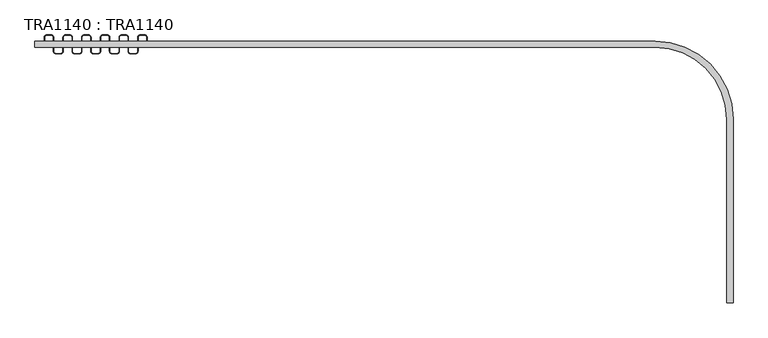
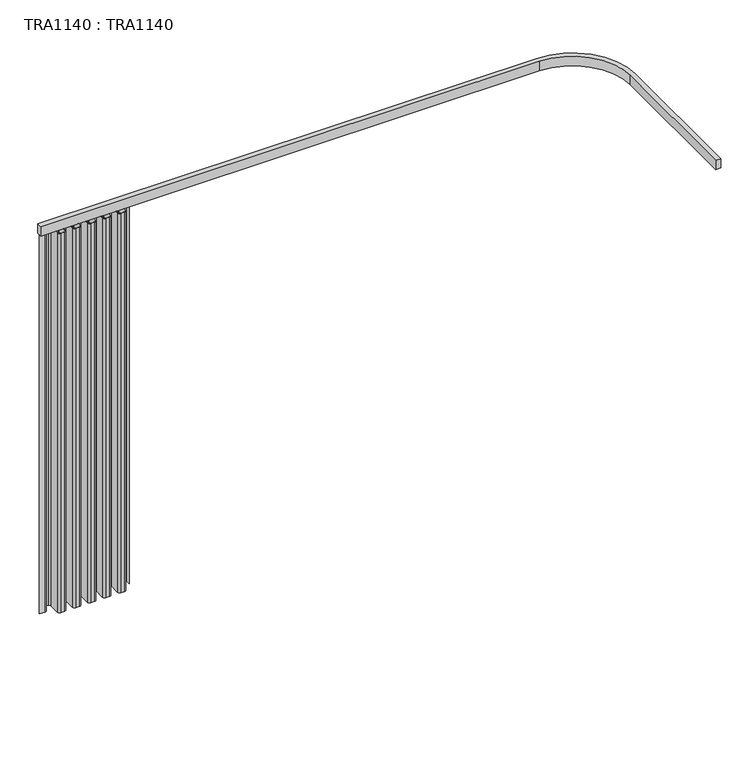
"""IFC4 building model written with IfcOpenShell, lengths in millimetres: proxy geometry, TRA1140 : TRA1140."""

from ifc_helpers import new_model, si_unit, point, frame, frame_2d, origin, place, context, project, spatial, polyline, circle_curve, trimmed, segment, composite_curve, outline, extrude, source, transform, mapped, element, save


def tra1140_tra1140_f6fdbb9d(model_context):
    return source(origin(), model_context, "Body", "SweptSolid", [
        extrude(outline(composite_curve([segment(trimmed(circle_curve(frame_2d((27.5, 10.0)), 10.0), [point((27.5, 0.0))], [point((37.5, 10.0))], True, "CARTESIAN"), True, "CONTINUOUS"), segment(polyline([(37.5, 10.0), (37.5, 27.5)]), True, "CONTINUOUS"), segment(trimmed(circle_curve(frame_2d((47.5, 27.5)), 10.0), [point((37.5, 27.5))], [point((47.5, 37.5))], False, "CARTESIAN"), True, "CONTINUOUS"), segment(polyline([(47.5, 37.5), (65.0, 37.5)]), True, "CONTINUOUS"), segment(trimmed(circle_curve(frame_2d((65.0, 27.5)), 10.0), [point((65.0, 37.5))], [point((75.0, 27.5))], False, "CARTESIAN"), True, "CONTINUOUS"), segment(polyline([(75.0, 27.5), (75.0, -27.5)]), True, "CONTINUOUS"), segment(trimmed(circle_curve(frame_2d((85.0, -27.5)), 10.0), [point((75.0, -27.5))], [point((85.0, -37.5))], True, "CARTESIAN"), True, "CONTINUOUS"), segment(polyline([(85.0, -37.5), (102.5, -37.5)]), True, "CONTINUOUS"), segment(trimmed(circle_curve(frame_2d((102.5, -27.5)), 10.0), [point((102.5, -37.5))], [point((112.5, -27.5))], True, "CARTESIAN"), True, "CONTINUOUS"), segment(polyline([(112.5, -27.5), (112.5, 27.5)]), True, "CONTINUOUS"), segment(trimmed(circle_curve(frame_2d((122.5, 27.5)), 10.0), [point((112.5, 27.5))], [point((122.5, 37.5))], False, "CARTESIAN"), True, "CONTINUOUS"), segment(polyline([(122.5, 37.5), (140.0, 37.5)]), True, "CONTINUOUS"), segment(trimmed(circle_curve(frame_2d((140.0, 27.5)), 10.0), [point((140.0, 37.5))], [point((150.0, 27.5))], False, "CARTESIAN"), True, "CONTINUOUS"), segment(polyline([(150.0, 27.5), (150.0, -27.5)]), True, "CONTINUOUS"), segment(trimmed(circle_curve(frame_2d((160.0, -27.5)), 10.0), [point((150.0, -27.5))], [point((160.0, -37.5))], True, "CARTESIAN"), True, "CONTINUOUS"), segment(polyline([(160.0, -37.5), (177.5, -37.5)]), True, "CONTINUOUS"), segment(trimmed(circle_curve(frame_2d((177.5, -27.5)), 10.0), [point((177.5, -37.5))], [point((187.5, -27.5))], True, "CARTESIAN"), True, "CONTINUOUS"), segment(polyline([(187.5, -27.5), (187.5, 27.5)]), True, "CONTINUOUS"), segment(trimmed(circle_curve(frame_2d((197.5, 27.5)), 10.0), [point((187.5, 27.5))], [point((197.5, 37.5))], False, "CARTESIAN"), True, "CONTINUOUS"), segment(polyline([(197.5, 37.5), (215.0, 37.5)]), True, "CONTINUOUS"), segment(trimmed(circle_curve(frame_2d((215.0, 27.5)), 10.0), [point((215.0, 37.5))], [point((225.0, 27.5))], False, "CARTESIAN"), True, "CONTINUOUS"), segment(polyline([(225.0, 27.5), (225.0, -27.5)]), True, "CONTINUOUS"), segment(trimmed(circle_curve(frame_2d((235.0, -27.5)), 10.0), [point((225.0, -27.5))], [point((235.0, -37.5))], True, "CARTESIAN"), True, "CONTINUOUS"), segment(polyline([(235.0, -37.5), (252.5, -37.5)]), True, "CONTINUOUS"), segment(trimmed(circle_curve(frame_2d((252.5, -27.5)), 10.0), [point((252.5, -37.5))], [point((262.5, -27.5))], True, "CARTESIAN"), True, "CONTINUOUS"), segment(polyline([(262.5, -27.5), (262.5, 27.5)]), True, "CONTINUOUS"), segment(trimmed(circle_curve(frame_2d((272.5, 27.5)), 10.0), [point((262.5, 27.5))], [point((272.5, 37.5))], False, "CARTESIAN"), True, "CONTINUOUS"), segment(polyline([(272.5, 37.5), (290.0, 37.5)]), True, "CONTINUOUS"), segment(trimmed(circle_curve(frame_2d((290.0, 27.5)), 10.0), [point((290.0, 37.5))], [point((300.0, 27.5))], False, "CARTESIAN"), True, "CONTINUOUS"), segment(polyline([(300.0, 27.5), (300.0, -27.5)]), True, "CONTINUOUS"), segment(trimmed(circle_curve(frame_2d((310.0, -27.5)), 10.0), [point((300.0, -27.5))], [point((310.0, -37.5))], True, "CARTESIAN"), True, "CONTINUOUS"), segment(polyline([(310.0, -37.5), (327.5, -37.5)]), True, "CONTINUOUS"), segment(trimmed(circle_curve(frame_2d((327.5, -27.5)), 10.0), [point((327.5, -37.5))], [point((337.5, -27.5))], True, "CARTESIAN"), True, "CONTINUOUS"), segment(polyline([(337.5, -27.5), (337.5, 27.5)]), True, "CONTINUOUS"), segment(trimmed(circle_curve(frame_2d((347.5, 27.5)), 10.0), [point((337.5, 27.5))], [point((347.5, 37.5))], False, "CARTESIAN"), True, "CONTINUOUS"), segment(polyline([(347.5, 37.5), (365.0, 37.5)]), True, "CONTINUOUS"), segment(trimmed(circle_curve(frame_2d((365.0, 27.5)), 10.0), [point((365.0, 37.5))], [point((375.0, 27.5))], False, "CARTESIAN"), True, "CONTINUOUS"), segment(polyline([(375.0, 27.5), (375.0, -27.5)]), True, "CONTINUOUS"), segment(trimmed(circle_curve(frame_2d((385.0, -27.5)), 10.0), [point((375.0, -27.5))], [point((385.0, -37.5))], True, "CARTESIAN"), True, "CONTINUOUS"), segment(polyline([(385.0, -37.5), (402.5, -37.5)]), True, "CONTINUOUS"), segment(trimmed(circle_curve(frame_2d((402.5, -27.5)), 10.0), [point((402.5, -37.5))], [point((412.5, -27.5))], True, "CARTESIAN"), True, "CONTINUOUS"), segment(polyline([(412.5, -27.5), (412.5, 27.5)]), True, "CONTINUOUS"), segment(trimmed(circle_curve(frame_2d((422.5, 27.5)), 10.0), [point((412.5, 27.5))], [point((422.5, 37.5))], False, "CARTESIAN"), True, "CONTINUOUS"), segment(polyline([(422.5, 37.5), (440.0, 37.5)]), True, "CONTINUOUS"), segment(trimmed(circle_curve(frame_2d((440.0, 27.5)), 10.0), [point((440.0, 37.5))], [point((450.0, 27.5))], False, "CARTESIAN"), True, "CONTINUOUS"), segment(polyline([(450.0, 27.5), (450.0, 0.0), (449.0, 0.0), (449.0, 27.5)]), True, "CONTINUOUS"), segment(trimmed(circle_curve(frame_2d((440.0, 27.5)), 9.0), [point((449.0, 27.5))], [point((440.0, 36.5))], True, "CARTESIAN"), True, "CONTINUOUS"), segment(polyline([(440.0, 36.5), (422.5, 36.5)]), True, "CONTINUOUS"), segment(trimmed(circle_curve(frame_2d((422.5, 27.5)), 9.0), [point((422.5, 36.5))], [point((413.5, 27.5))], True, "CARTESIAN"), True, "CONTINUOUS"), segment(polyline([(413.5, 27.5), (413.5, -27.5)]), True, "CONTINUOUS"), segment(trimmed(circle_curve(frame_2d((402.5, -27.5)), 11.0), [point((413.5, -27.5))], [point((402.5, -38.5))], False, "CARTESIAN"), True, "CONTINUOUS"), segment(polyline([(402.5, -38.5), (385.0, -38.5)]), True, "CONTINUOUS"), segment(trimmed(circle_curve(frame_2d((385.0, -27.5)), 11.0), [point((385.0, -38.5))], [point((374.0, -27.5))], False, "CARTESIAN"), True, "CONTINUOUS"), segment(polyline([(374.0, -27.5), (374.0, 27.5)]), True, "CONTINUOUS"), segment(trimmed(circle_curve(frame_2d((365.0, 27.5)), 9.0), [point((374.0, 27.5))], [point((365.0, 36.5))], True, "CARTESIAN"), True, "CONTINUOUS"), segment(polyline([(365.0, 36.5), (347.5, 36.5)]), True, "CONTINUOUS"), segment(trimmed(circle_curve(frame_2d((347.5, 27.5)), 9.0), [point((347.5, 36.5))], [point((338.5, 27.5))], True, "CARTESIAN"), True, "CONTINUOUS"), segment(polyline([(338.5, 27.5), (338.5, -27.5)]), True, "CONTINUOUS"), segment(trimmed(circle_curve(frame_2d((327.5, -27.5)), 11.0), [point((338.5, -27.5))], [point((327.5, -38.5))], False, "CARTESIAN"), True, "CONTINUOUS"), segment(polyline([(327.5, -38.5), (310.0, -38.5)]), True, "CONTINUOUS"), segment(trimmed(circle_curve(frame_2d((310.0, -27.5)), 11.0), [point((310.0, -38.5))], [point((299.0, -27.5))], False, "CARTESIAN"), True, "CONTINUOUS"), segment(polyline([(299.0, -27.5), (299.0, 27.5)]), True, "CONTINUOUS"), segment(trimmed(circle_curve(frame_2d((290.0, 27.5)), 9.0), [point((299.0, 27.5))], [point((290.0, 36.5))], True, "CARTESIAN"), True, "CONTINUOUS"), segment(polyline([(290.0, 36.5), (272.5, 36.5)]), True, "CONTINUOUS"), segment(trimmed(circle_curve(frame_2d((272.5, 27.5)), 9.0), [point((272.5, 36.5))], [point((263.5, 27.5))], True, "CARTESIAN"), True, "CONTINUOUS"), segment(polyline([(263.5, 27.5), (263.5, -27.5)]), True, "CONTINUOUS"), segment(trimmed(circle_curve(frame_2d((252.5, -27.5)), 11.0), [point((263.5, -27.5))], [point((252.5, -38.5))], False, "CARTESIAN"), True, "CONTINUOUS"), segment(polyline([(252.5, -38.5), (235.0, -38.5)]), True, "CONTINUOUS"), segment(trimmed(circle_curve(frame_2d((235.0, -27.5)), 11.0), [point((235.0, -38.5))], [point((224.0, -27.5))], False, "CARTESIAN"), True, "CONTINUOUS"), segment(polyline([(224.0, -27.5), (224.0, 27.5)]), True, "CONTINUOUS"), segment(trimmed(circle_curve(frame_2d((215.0, 27.5)), 9.0), [point((224.0, 27.5))], [point((215.0, 36.5))], True, "CARTESIAN"), True, "CONTINUOUS"), segment(polyline([(215.0, 36.5), (197.5, 36.5)]), True, "CONTINUOUS"), segment(trimmed(circle_curve(frame_2d((197.5, 27.5)), 9.0), [point((197.5, 36.5))], [point((188.5, 27.5))], True, "CARTESIAN"), True, "CONTINUOUS"), segment(polyline([(188.5, 27.5), (188.5, -27.5)]), True, "CONTINUOUS"), segment(trimmed(circle_curve(frame_2d((177.5, -27.5)), 11.0), [point((188.5, -27.5))], [point((177.5, -38.5))], False, "CARTESIAN"), True, "CONTINUOUS"), segment(polyline([(177.5, -38.5), (160.0, -38.5)]), True, "CONTINUOUS"), segment(trimmed(circle_curve(frame_2d((160.0, -27.5)), 11.0), [point((160.0, -38.5))], [point((149.0, -27.5))], False, "CARTESIAN"), True, "CONTINUOUS"), segment(polyline([(149.0, -27.5), (149.0, 27.5)]), True, "CONTINUOUS"), segment(trimmed(circle_curve(frame_2d((140.0, 27.5)), 9.0), [point((149.0, 27.5))], [point((140.0, 36.5))], True, "CARTESIAN"), True, "CONTINUOUS"), segment(polyline([(140.0, 36.5), (122.5, 36.5)]), True, "CONTINUOUS"), segment(trimmed(circle_curve(frame_2d((122.5, 27.5)), 9.0), [point((122.5, 36.5))], [point((113.5, 27.5))], True, "CARTESIAN"), True, "CONTINUOUS"), segment(polyline([(113.5, 27.5), (113.5, -27.5)]), True, "CONTINUOUS"), segment(trimmed(circle_curve(frame_2d((102.5, -27.5)), 11.0), [point((113.5, -27.5))], [point((102.5, -38.5))], False, "CARTESIAN"), True, "CONTINUOUS"), segment(polyline([(102.5, -38.5), (85.0, -38.5)]), True, "CONTINUOUS"), segment(trimmed(circle_curve(frame_2d((85.0, -27.5)), 11.0), [point((85.0, -38.5))], [point((74.0, -27.5))], False, "CARTESIAN"), True, "CONTINUOUS"), segment(polyline([(74.0, -27.5), (74.0, 27.5)]), True, "CONTINUOUS"), segment(trimmed(circle_curve(frame_2d((65.0, 27.5)), 9.0), [point((74.0, 27.5))], [point((65.0, 36.5))], True, "CARTESIAN"), True, "CONTINUOUS"), segment(polyline([(65.0, 36.5), (47.5, 36.5)]), True, "CONTINUOUS"), segment(trimmed(circle_curve(frame_2d((47.5, 27.5)), 9.0), [point((47.5, 36.5))], [point((38.5, 27.5))], True, "CARTESIAN"), True, "CONTINUOUS"), segment(polyline([(38.5, 27.5), (38.5, 10.0)]), True, "CONTINUOUS"), segment(trimmed(circle_curve(frame_2d((27.5, 10.0)), 11.0), [point((38.5, 10.0))], [point((27.5, -1.0))], False, "CARTESIAN"), True, "CONTINUOUS"), segment(polyline([(27.5, -1.0), (0.0, -1.0), (0.0, 0.0), (27.5, 0.0)]), True, "CONTINUOUS")], self_intersect=False)), frame((0.0, 0.0, -2050.0), z_axis=(0.0, 0.0, 1.0), x_axis=(1.0, 0.0, 0.0)), (0.0, 0.0, 1.0), 1999.9999996),
        extrude(outline(composite_curve([segment(trimmed(circle_curve(frame_2d((2487.5, -299.9999999)), 312.5), [point((2487.5, 12.5000001))], [point((2800.0, -299.9999999))], False, "CARTESIAN"), True, "CONTINUOUS"), segment(polyline([(2800.0, -299.9999999), (2800.0, -1037.4999999), (2775.0, -1037.4999999), (2775.0, -299.9999999)]), True, "CONTINUOUS"), segment(trimmed(circle_curve(frame_2d((2487.5, -299.9999999)), 287.5), [point((2775.0, -299.9999999))], [point((2487.5, -12.4999999))], True, "CARTESIAN"), True, "CONTINUOUS"), segment(polyline([(2487.5, -12.4999999), (0.0, -12.5000001), (0.0, 12.5000001), (2487.5, 12.5000001)]), True, "CONTINUOUS")], self_intersect=False)), frame((0.0, 0.0, -50.0000004), z_axis=(0.0, 0.0, 1.0), x_axis=(1.0, 0.0, 0.0)), (0.0, 0.0, 1.0), 50.0000004),
    ])


if __name__ == "__main__":
    model = new_model("IFC4")
    model_context = context("Model", 3, world=origin())
    ifc_project = project(units=[si_unit("LENGTHUNIT", "METRE", prefix="MILLI")], contexts=[model_context])
    site = spatial("IfcSite", under=ifc_project)
    building = spatial("IfcBuilding", under=site)
    placement = place(None, origin())
    tra1140_tra1140_shape = tra1140_tra1140_f6fdbb9d(model_context)
    element("IfcBuildingElementProxy", 1, Name="TRA1140 : TRA1140", ObjectType="TRA1140 : TRA1140", at=placement, inside=building, context=model_context, shape_type="MappedRepresentation", body=[
        mapped(tra1140_tra1140_shape, transform((0.0, 0.0, 0.0), x_axis=(1.0, 0.0, 0.0), y_axis=(0.0, 1.0, 0.0), z_axis=(0.0, 0.0, 1.0))),
    ])
    save(model, "model.ifc")
